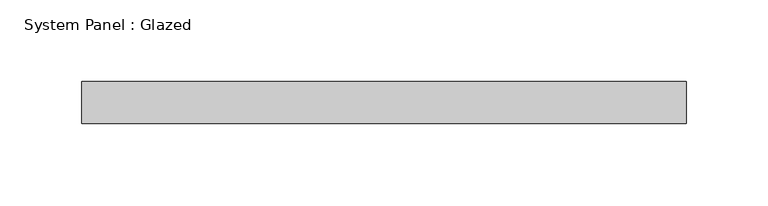
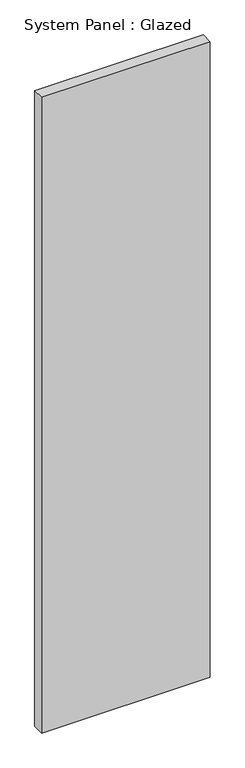
"""IFC4 building model written with IfcOpenShell, lengths in millimetres: plate geometry, System Panel : Glazed."""

from ifc_helpers import new_model, si_unit, origin, origin_with_axes, place, context, project, spatial, polyline, outline, extrude, source, transform, mapped, element, save


def system_panel_glazed_cc49362c(model_context):
    return source(origin(), model_context, "Body", "SweptSolid", [
        extrude(outline(polyline([(184.15, -44.45), (-184.15, -44.45), (-184.15, -19.05), (184.15, -19.05), (184.15, -44.45)])), origin_with_axes(), (0.0, 0.0, 1.0), 1466.85),
    ])


if __name__ == "__main__":
    model = new_model("IFC4")
    model_context = context("Model", 3, world=origin())
    ifc_project = project(units=[si_unit("LENGTHUNIT", "METRE", prefix="MILLI")], contexts=[model_context])
    site = spatial("IfcSite", under=ifc_project)
    building = spatial("IfcBuilding", under=site)
    placement = place(None, origin())
    system_panel_glazed_shape = system_panel_glazed_cc49362c(model_context)
    element("IfcPlate", 1, ObjectType="System Panel : Glazed", at=placement, inside=building, context=model_context, shape_type="MappedRepresentation", body=[
        mapped(system_panel_glazed_shape, transform((0.0, 0.0, 0.0), x_axis=(1.0, 0.0, 0.0), y_axis=(0.0, 1.0, 0.0), z_axis=(0.0, 0.0, 1.0))),
    ])
    save(model, "model.ifc")
